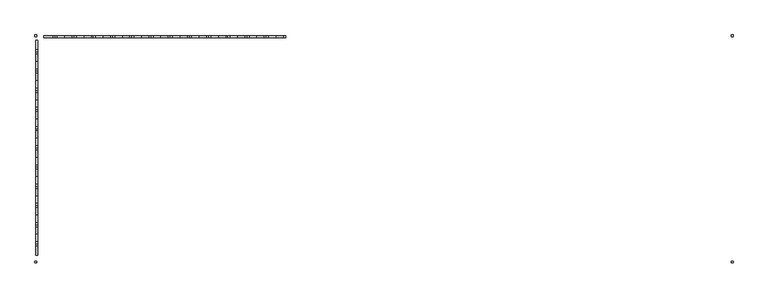
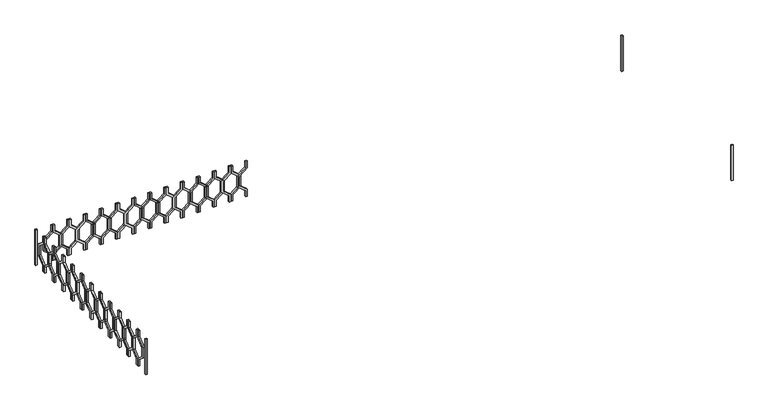
"""IFC4 building model written with IfcOpenShell, lengths in millimetres: railing geometry."""

from ifc_helpers import new_model, si_unit, frame, origin, place, context, project, spatial, polyline, outline, extrude, source, transform, mapped, element, save


def railing_f360ee6d(model_context):
    return source(origin(), model_context, "Body", "SweptSolid", [
        extrude(outline(polyline([(25360.0, 44935.0112841), (25360.0, 44915.0112841), (25280.0, 44915.0112841), (25200.0, 44816.0163347), (25060.0, 44816.0163347), (24980.0, 44915.0112841), (24900.0, 44915.0112841), (24900.0, 44935.0112841), (24989.551845, 44935.0112841), (25069.551845, 44836.0163347), (25190.448155, 44836.0163347), (25270.448155, 44935.0112841), (25360.0, 44935.0112841)])), frame((0.0, 3248.1079487, 0.0), z_axis=(0.0, 1.0, 0.0), x_axis=(0.0, 0.0, 1.0)), (0.0, 0.0, 1.0), 20.0),
        extrude(outline(polyline([(25360.0, 44735.0112841), (25270.448155, 44735.0112841), (25190.448155, 44834.0062335), (25069.551845, 44834.0062335), (24989.551845, 44735.0112841), (24900.0, 44735.0112841), (24900.0, 44755.0112841), (24980.0, 44755.0112841), (25060.0, 44854.0062335), (25200.0, 44854.0062335), (25280.0, 44755.0112841), (25360.0, 44755.0112841), (25360.0, 44735.0112841)])), frame((0.0, 3248.1079487, 0.0), z_axis=(0.0, 1.0, 0.0), x_axis=(0.0, 0.0, 1.0)), (0.0, 0.0, 1.0), 20.0),
        extrude(outline(polyline([(25360.0, 44735.0112841), (25360.0, 44715.0112841), (25280.0, 44715.0112841), (25200.0, 44616.0163347), (25060.0, 44616.0163347), (24980.0, 44715.0112841), (24900.0, 44715.0112841), (24900.0, 44735.0112841), (24989.551845, 44735.0112841), (25069.551845, 44636.0163347), (25190.448155, 44636.0163347), (25270.448155, 44735.0112841), (25360.0, 44735.0112841)])), frame((0.0, 3248.1079487, 0.0), z_axis=(0.0, 1.0, 0.0), x_axis=(0.0, 0.0, 1.0)), (0.0, 0.0, 1.0), 20.0),
        extrude(outline(polyline([(25360.0, 44535.0112841), (25270.448155, 44535.0112841), (25190.448155, 44634.0062335), (25069.551845, 44634.0062335), (24989.551845, 44535.0112841), (24900.0, 44535.0112841), (24900.0, 44555.0112841), (24980.0, 44555.0112841), (25060.0, 44654.0062335), (25200.0, 44654.0062335), (25280.0, 44555.0112841), (25360.0, 44555.0112841), (25360.0, 44535.0112841)])), frame((0.0, 3248.1079487, 0.0), z_axis=(0.0, 1.0, 0.0), x_axis=(0.0, 0.0, 1.0)), (0.0, 0.0, 1.0), 20.0),
        extrude(outline(polyline([(25360.0, 44535.0112841), (25360.0, 44515.0112841), (25280.0, 44515.0112841), (25200.0, 44416.0163347), (25060.0, 44416.0163347), (24980.0, 44515.0112841), (24900.0, 44515.0112841), (24900.0, 44535.0112841), (24989.551845, 44535.0112841), (25069.551845, 44436.0163347), (25190.448155, 44436.0163347), (25270.448155, 44535.0112841), (25360.0, 44535.0112841)])), frame((0.0, 3248.1079487, 0.0), z_axis=(0.0, 1.0, 0.0), x_axis=(0.0, 0.0, 1.0)), (0.0, 0.0, 1.0), 20.0),
        extrude(outline(polyline([(25360.0, 44335.0112841), (25270.448155, 44335.0112841), (25190.448155, 44434.0062335), (25069.551845, 44434.0062335), (24989.551845, 44335.0112841), (24900.0, 44335.0112841), (24900.0, 44355.0112841), (24980.0, 44355.0112841), (25060.0, 44454.0062335), (25200.0, 44454.0062335), (25280.0, 44355.0112841), (25360.0, 44355.0112841), (25360.0, 44335.0112841)])), frame((0.0, 3248.1079487, 0.0), z_axis=(0.0, 1.0, 0.0), x_axis=(0.0, 0.0, 1.0)), (0.0, 0.0, 1.0), 20.0),
        extrude(outline(polyline([(25360.0, 44335.0112841), (25360.0, 44315.0112841), (25280.0, 44315.0112841), (25200.0, 44216.0163347), (25060.0, 44216.0163347), (24980.0, 44315.0112841), (24900.0, 44315.0112841), (24900.0, 44335.0112841), (24989.551845, 44335.0112841), (25069.551845, 44236.0163347), (25190.448155, 44236.0163347), (25270.448155, 44335.0112841), (25360.0, 44335.0112841)])), frame((0.0, 3248.1079487, 0.0), z_axis=(0.0, 1.0, 0.0), x_axis=(0.0, 0.0, 1.0)), (0.0, 0.0, 1.0), 20.0),
        extrude(outline(polyline([(25360.0, 44135.0112841), (25270.448155, 44135.0112841), (25190.448155, 44234.0062335), (25069.551845, 44234.0062335), (24989.551845, 44135.0112841), (24900.0, 44135.0112841), (24900.0, 44155.0112841), (24980.0, 44155.0112841), (25060.0, 44254.0062335), (25200.0, 44254.0062335), (25280.0, 44155.0112841), (25360.0, 44155.0112841), (25360.0, 44135.0112841)])), frame((0.0, 3248.1079487, 0.0), z_axis=(0.0, 1.0, 0.0), x_axis=(0.0, 0.0, 1.0)), (0.0, 0.0, 1.0), 20.0),
        extrude(outline(polyline([(25360.0, 44135.0112841), (25360.0, 44115.0112841), (25280.0, 44115.0112841), (25200.0, 44016.0163347), (25060.0, 44016.0163347), (24980.0, 44115.0112841), (24900.0, 44115.0112841), (24900.0, 44135.0112841), (24989.551845, 44135.0112841), (25069.551845, 44036.0163347), (25190.448155, 44036.0163347), (25270.448155, 44135.0112841), (25360.0, 44135.0112841)])), frame((0.0, 3248.1079487, 0.0), z_axis=(0.0, 1.0, 0.0), x_axis=(0.0, 0.0, 1.0)), (0.0, 0.0, 1.0), 20.0),
        extrude(outline(polyline([(25360.0, 43935.0112841), (25270.448155, 43935.0112841), (25190.448155, 44034.0062335), (25069.551845, 44034.0062335), (24989.551845, 43935.0112841), (24900.0, 43935.0112841), (24900.0, 43955.0112841), (24980.0, 43955.0112841), (25060.0, 44054.0062335), (25200.0, 44054.0062335), (25280.0, 43955.0112841), (25360.0, 43955.0112841), (25360.0, 43935.0112841)])), frame((0.0, 3248.1079487, 0.0), z_axis=(0.0, 1.0, 0.0), x_axis=(0.0, 0.0, 1.0)), (0.0, 0.0, 1.0), 20.0),
        extrude(outline(polyline([(25360.0, 43935.0112841), (25360.0, 43915.0112841), (25280.0, 43915.0112841), (25200.0, 43816.0163347), (25060.0, 43816.0163347), (24980.0, 43915.0112841), (24900.0, 43915.0112841), (24900.0, 43935.0112841), (24989.551845, 43935.0112841), (25069.551845, 43836.0163347), (25190.448155, 43836.0163347), (25270.448155, 43935.0112841), (25360.0, 43935.0112841)])), frame((0.0, 3248.1079487, 0.0), z_axis=(0.0, 1.0, 0.0), x_axis=(0.0, 0.0, 1.0)), (0.0, 0.0, 1.0), 20.0),
        extrude(outline(polyline([(25360.0, 43735.0112841), (25270.448155, 43735.0112841), (25190.448155, 43834.0062335), (25069.551845, 43834.0062335), (24989.551845, 43735.0112841), (24900.0, 43735.0112841), (24900.0, 43755.0112841), (24980.0, 43755.0112841), (25060.0, 43854.0062335), (25200.0, 43854.0062335), (25280.0, 43755.0112841), (25360.0, 43755.0112841), (25360.0, 43735.0112841)])), frame((0.0, 3248.1079487, 0.0), z_axis=(0.0, 1.0, 0.0), x_axis=(0.0, 0.0, 1.0)), (0.0, 0.0, 1.0), 20.0),
        extrude(outline(polyline([(25360.0, 43735.0112841), (25360.0, 43715.0112841), (25280.0, 43715.0112841), (25200.0, 43616.0163347), (25060.0, 43616.0163347), (24980.0, 43715.0112841), (24900.0, 43715.0112841), (24900.0, 43735.0112841), (24989.551845, 43735.0112841), (25069.551845, 43636.0163347), (25190.448155, 43636.0163347), (25270.448155, 43735.0112841), (25360.0, 43735.0112841)])), frame((0.0, 3248.1079487, 0.0), z_axis=(0.0, 1.0, 0.0), x_axis=(0.0, 0.0, 1.0)), (0.0, 0.0, 1.0), 20.0),
        extrude(outline(polyline([(25360.0, 43535.0112841), (25270.448155, 43535.0112841), (25190.448155, 43634.0062335), (25069.551845, 43634.0062335), (24989.551845, 43535.0112841), (24900.0, 43535.0112841), (24900.0, 43555.0112841), (24980.0, 43555.0112841), (25060.0, 43654.0062335), (25200.0, 43654.0062335), (25280.0, 43555.0112841), (25360.0, 43555.0112841), (25360.0, 43535.0112841)])), frame((0.0, 3248.1079487, 0.0), z_axis=(0.0, 1.0, 0.0), x_axis=(0.0, 0.0, 1.0)), (0.0, 0.0, 1.0), 20.0),
        extrude(outline(polyline([(25360.0, 43535.0112841), (25360.0, 43515.0112841), (25280.0, 43515.0112841), (25200.0, 43416.0163347), (25060.0, 43416.0163347), (24980.0, 43515.0112841), (24900.0, 43515.0112841), (24900.0, 43535.0112841), (24989.551845, 43535.0112841), (25069.551845, 43436.0163347), (25190.448155, 43436.0163347), (25270.448155, 43535.0112841), (25360.0, 43535.0112841)])), frame((0.0, 3248.1079487, 0.0), z_axis=(0.0, 1.0, 0.0), x_axis=(0.0, 0.0, 1.0)), (0.0, 0.0, 1.0), 20.0),
        extrude(outline(polyline([(25360.0, 43335.0112841), (25270.448155, 43335.0112841), (25190.448155, 43434.0062335), (25069.551845, 43434.0062335), (24989.551845, 43335.0112841), (24900.0, 43335.0112841), (24900.0, 43355.0112841), (24980.0, 43355.0112841), (25060.0, 43454.0062335), (25200.0, 43454.0062335), (25280.0, 43355.0112841), (25360.0, 43355.0112841), (25360.0, 43335.0112841)])), frame((0.0, 3248.1079487, 0.0), z_axis=(0.0, 1.0, 0.0), x_axis=(0.0, 0.0, 1.0)), (0.0, 0.0, 1.0), 20.0),
        extrude(outline(polyline([(25360.0, 43335.0112841), (25360.0, 43315.0112841), (25280.0, 43315.0112841), (25200.0, 43216.0163347), (25060.0, 43216.0163347), (24980.0, 43315.0112841), (24900.0, 43315.0112841), (24900.0, 43335.0112841), (24989.551845, 43335.0112841), (25069.551845, 43236.0163347), (25190.448155, 43236.0163347), (25270.448155, 43335.0112841), (25360.0, 43335.0112841)])), frame((0.0, 3248.1079487, 0.0), z_axis=(0.0, 1.0, 0.0), x_axis=(0.0, 0.0, 1.0)), (0.0, 0.0, 1.0), 20.0),
        extrude(outline(polyline([(25360.0, 43135.0112841), (25270.448155, 43135.0112841), (25190.448155, 43234.0062335), (25069.551845, 43234.0062335), (24989.551845, 43135.0112841), (24900.0, 43135.0112841), (24900.0, 43155.0112841), (24980.0, 43155.0112841), (25060.0, 43254.0062335), (25200.0, 43254.0062335), (25280.0, 43155.0112841), (25360.0, 43155.0112841), (25360.0, 43135.0112841)])), frame((0.0, 3248.1079487, 0.0), z_axis=(0.0, 1.0, 0.0), x_axis=(0.0, 0.0, 1.0)), (0.0, 0.0, 1.0), 20.0),
        extrude(outline(polyline([(25360.0, 43135.0112841), (25360.0, 43115.0112841), (25280.0, 43115.0112841), (25200.0, 43016.0163347), (25060.0, 43016.0163347), (24980.0, 43115.0112841), (24900.0, 43115.0112841), (24900.0, 43135.0112841), (24989.551845, 43135.0112841), (25069.551845, 43036.0163347), (25190.448155, 43036.0163347), (25270.448155, 43135.0112841), (25360.0, 43135.0112841)])), frame((0.0, 3248.1079487, 0.0), z_axis=(0.0, 1.0, 0.0), x_axis=(0.0, 0.0, 1.0)), (0.0, 0.0, 1.0), 20.0),
        extrude(outline(polyline([(25360.0, 42935.0112841), (25270.448155, 42935.0112841), (25190.448155, 43034.0062335), (25069.551845, 43034.0062335), (24989.551845, 42935.0112841), (24900.0, 42935.0112841), (24900.0, 42955.0112841), (24980.0, 42955.0112841), (25060.0, 43054.0062335), (25200.0, 43054.0062335), (25280.0, 42955.0112841), (25360.0, 42955.0112841), (25360.0, 42935.0112841)])), frame((0.0, 3248.1079487, 0.0), z_axis=(0.0, 1.0, 0.0), x_axis=(0.0, 0.0, 1.0)), (0.0, 0.0, 1.0), 20.0),
        extrude(outline(polyline([(25360.0, 42935.0112841), (25360.0, 42915.0112841), (25280.0, 42915.0112841), (25200.0, 42816.0163347), (25060.0, 42816.0163347), (24980.0, 42915.0112841), (24900.0, 42915.0112841), (24900.0, 42935.0112841), (24989.551845, 42935.0112841), (25069.551845, 42836.0163347), (25190.448155, 42836.0163347), (25270.448155, 42935.0112841), (25360.0, 42935.0112841)])), frame((0.0, 3248.1079487, 0.0), z_axis=(0.0, 1.0, 0.0), x_axis=(0.0, 0.0, 1.0)), (0.0, 0.0, 1.0), 20.0),
        extrude(outline(polyline([(25360.0, 42735.0112841), (25270.448155, 42735.0112841), (25190.448155, 42834.0062335), (25069.551845, 42834.0062335), (24989.551845, 42735.0112841), (24900.0, 42735.0112841), (24900.0, 42755.0112841), (24980.0, 42755.0112841), (25060.0, 42854.0062335), (25200.0, 42854.0062335), (25280.0, 42755.0112841), (25360.0, 42755.0112841), (25360.0, 42735.0112841)])), frame((0.0, 3248.1079487, 0.0), z_axis=(0.0, 1.0, 0.0), x_axis=(0.0, 0.0, 1.0)), (0.0, 0.0, 1.0), 20.0),
        extrude(outline(polyline([(25360.0, 42735.0112841), (25360.0, 42715.0112841), (25280.0, 42715.0112841), (25200.0, 42616.0163347), (25060.0, 42616.0163347), (24980.0, 42715.0112841), (24900.0, 42715.0112841), (24900.0, 42735.0112841), (24989.551845, 42735.0112841), (25069.551845, 42636.0163347), (25190.448155, 42636.0163347), (25270.448155, 42735.0112841), (25360.0, 42735.0112841)])), frame((0.0, 3248.1079487, 0.0), z_axis=(0.0, 1.0, 0.0), x_axis=(0.0, 0.0, 1.0)), (0.0, 0.0, 1.0), 20.0),
        extrude(outline(polyline([(25360.0, 42535.0112841), (25270.448155, 42535.0112841), (25190.448155, 42634.0062335), (25069.551845, 42634.0062335), (24989.551845, 42535.0112841), (24900.0, 42535.0112841), (24900.0, 42555.0112841), (24980.0, 42555.0112841), (25060.0, 42654.0062335), (25200.0, 42654.0062335), (25280.0, 42555.0112841), (25360.0, 42555.0112841), (25360.0, 42535.0112841)])), frame((0.0, 3248.1079487, 0.0), z_axis=(0.0, 1.0, 0.0), x_axis=(0.0, 0.0, 1.0)), (0.0, 0.0, 1.0), 20.0),
        extrude(outline(polyline([(25360.0, 42535.0112841), (25360.0, 42515.0112841), (25280.0, 42515.0112841), (25200.0, 42416.0163347), (25060.0, 42416.0163347), (24980.0, 42515.0112841), (24900.0, 42515.0112841), (24900.0, 42535.0112841), (24989.551845, 42535.0112841), (25069.551845, 42436.0163347), (25190.448155, 42436.0163347), (25270.448155, 42535.0112841), (25360.0, 42535.0112841)])), frame((0.0, 3248.1079487, 0.0), z_axis=(0.0, 1.0, 0.0), x_axis=(0.0, 0.0, 1.0)), (0.0, 0.0, 1.0), 20.0),
        extrude(outline(polyline([(3103.1079487, 25360.0), (3123.1079487, 25360.0), (3123.1079487, 25280.0), (3222.102898, 25200.0), (3222.102898, 25060.0), (3123.1079487, 24980.0), (3123.1079487, 24900.0), (3103.1079487, 24900.0), (3103.1079487, 24989.551845), (3202.102898, 25069.551845), (3202.102898, 25190.448155), (3103.1079487, 25270.448155), (3103.1079487, 25360.0)])), frame((42335.0112841, 0.0, 0.0), z_axis=(1.0, 0.0, 0.0), x_axis=(0.0, 1.0, 0.0)), (0.0, 0.0, 1.0), 20.0),
        extrude(outline(polyline([(3103.1079487, 25360.0), (3103.1079487, 25270.448155), (3004.1129993, 25190.448155), (3004.1129993, 25069.551845), (3103.1079487, 24989.551845), (3103.1079487, 24900.0), (3083.1079487, 24900.0), (3083.1079487, 24980.0), (2984.1129993, 25060.0), (2984.1129993, 25200.0), (3083.1079487, 25280.0), (3083.1079487, 25360.0), (3103.1079487, 25360.0)])), frame((42335.0112841, 0.0, 0.0), z_axis=(1.0, 0.0, 0.0), x_axis=(0.0, 1.0, 0.0)), (0.0, 0.0, 1.0), 20.0),
        extrude(outline(polyline([(2903.1079487, 25360.0), (2923.1079487, 25360.0), (2923.1079487, 25280.0), (3022.102898, 25200.0), (3022.102898, 25060.0), (2923.1079487, 24980.0), (2923.1079487, 24900.0), (2903.1079487, 24900.0), (2903.1079487, 24989.551845), (3002.102898, 25069.551845), (3002.102898, 25190.448155), (2903.1079487, 25270.448155), (2903.1079487, 25360.0)])), frame((42335.0112841, 0.0, 0.0), z_axis=(1.0, 0.0, 0.0), x_axis=(0.0, 1.0, 0.0)), (0.0, 0.0, 1.0), 20.0),
        extrude(outline(polyline([(2903.1079487, 25360.0), (2903.1079487, 25270.448155), (2804.1129993, 25190.448155), (2804.1129993, 25069.551845), (2903.1079487, 24989.551845), (2903.1079487, 24900.0), (2883.1079487, 24900.0), (2883.1079487, 24980.0), (2784.1129993, 25060.0), (2784.1129993, 25200.0), (2883.1079487, 25280.0), (2883.1079487, 25360.0), (2903.1079487, 25360.0)])), frame((42335.0112841, 0.0, 0.0), z_axis=(1.0, 0.0, 0.0), x_axis=(0.0, 1.0, 0.0)), (0.0, 0.0, 1.0), 20.0),
        extrude(outline(polyline([(2703.1079487, 25360.0), (2723.1079487, 25360.0), (2723.1079487, 25280.0), (2822.102898, 25200.0), (2822.102898, 25060.0), (2723.1079487, 24980.0), (2723.1079487, 24900.0), (2703.1079487, 24900.0), (2703.1079487, 24989.551845), (2802.102898, 25069.551845), (2802.102898, 25190.448155), (2703.1079487, 25270.448155), (2703.1079487, 25360.0)])), frame((42335.0112841, 0.0, 0.0), z_axis=(1.0, 0.0, 0.0), x_axis=(0.0, 1.0, 0.0)), (0.0, 0.0, 1.0), 20.0),
        extrude(outline(polyline([(2703.1079487, 25360.0), (2703.1079487, 25270.448155), (2604.1129993, 25190.448155), (2604.1129993, 25069.551845), (2703.1079487, 24989.551845), (2703.1079487, 24900.0), (2683.1079487, 24900.0), (2683.1079487, 24980.0), (2584.1129993, 25060.0), (2584.1129993, 25200.0), (2683.1079487, 25280.0), (2683.1079487, 25360.0), (2703.1079487, 25360.0)])), frame((42335.0112841, 0.0, 0.0), z_axis=(1.0, 0.0, 0.0), x_axis=(0.0, 1.0, 0.0)), (0.0, 0.0, 1.0), 20.0),
        extrude(outline(polyline([(2503.1079487, 25360.0), (2523.1079487, 25360.0), (2523.1079487, 25280.0), (2622.102898, 25200.0), (2622.102898, 25060.0), (2523.1079487, 24980.0), (2523.1079487, 24900.0), (2503.1079487, 24900.0), (2503.1079487, 24989.551845), (2602.102898, 25069.551845), (2602.102898, 25190.448155), (2503.1079487, 25270.448155), (2503.1079487, 25360.0)])), frame((42335.0112841, 0.0, 0.0), z_axis=(1.0, 0.0, 0.0), x_axis=(0.0, 1.0, 0.0)), (0.0, 0.0, 1.0), 20.0),
        extrude(outline(polyline([(2503.1079487, 25360.0), (2503.1079487, 25270.448155), (2404.1129993, 25190.448155), (2404.1129993, 25069.551845), (2503.1079487, 24989.551845), (2503.1079487, 24900.0), (2483.1079487, 24900.0), (2483.1079487, 24980.0), (2384.1129993, 25060.0), (2384.1129993, 25200.0), (2483.1079487, 25280.0), (2483.1079487, 25360.0), (2503.1079487, 25360.0)])), frame((42335.0112841, 0.0, 0.0), z_axis=(1.0, 0.0, 0.0), x_axis=(0.0, 1.0, 0.0)), (0.0, 0.0, 1.0), 20.0),
        extrude(outline(polyline([(2303.1079487, 25360.0), (2323.1079487, 25360.0), (2323.1079487, 25280.0), (2422.102898, 25200.0), (2422.102898, 25060.0), (2323.1079487, 24980.0), (2323.1079487, 24900.0), (2303.1079487, 24900.0), (2303.1079487, 24989.551845), (2402.102898, 25069.551845), (2402.102898, 25190.448155), (2303.1079487, 25270.448155), (2303.1079487, 25360.0)])), frame((42335.0112841, 0.0, 0.0), z_axis=(1.0, 0.0, 0.0), x_axis=(0.0, 1.0, 0.0)), (0.0, 0.0, 1.0), 20.0),
        extrude(outline(polyline([(2303.1079487, 25360.0), (2303.1079487, 25270.448155), (2204.1129993, 25190.448155), (2204.1129993, 25069.551845), (2303.1079487, 24989.551845), (2303.1079487, 24900.0), (2283.1079487, 24900.0), (2283.1079487, 24980.0), (2184.1129993, 25060.0), (2184.1129993, 25200.0), (2283.1079487, 25280.0), (2283.1079487, 25360.0), (2303.1079487, 25360.0)])), frame((42335.0112841, 0.0, 0.0), z_axis=(1.0, 0.0, 0.0), x_axis=(0.0, 1.0, 0.0)), (0.0, 0.0, 1.0), 20.0),
        extrude(outline(polyline([(2103.1079487, 25360.0), (2123.1079487, 25360.0), (2123.1079487, 25280.0), (2222.102898, 25200.0), (2222.102898, 25060.0), (2123.1079487, 24980.0), (2123.1079487, 24900.0), (2103.1079487, 24900.0), (2103.1079487, 24989.551845), (2202.102898, 25069.551845), (2202.102898, 25190.448155), (2103.1079487, 25270.448155), (2103.1079487, 25360.0)])), frame((42335.0112841, 0.0, 0.0), z_axis=(1.0, 0.0, 0.0), x_axis=(0.0, 1.0, 0.0)), (0.0, 0.0, 1.0), 20.0),
        extrude(outline(polyline([(2103.1079487, 25360.0), (2103.1079487, 25270.448155), (2004.1129993, 25190.448155), (2004.1129993, 25069.551845), (2103.1079487, 24989.551845), (2103.1079487, 24900.0), (2083.1079487, 24900.0), (2083.1079487, 24980.0), (1984.1129993, 25060.0), (1984.1129993, 25200.0), (2083.1079487, 25280.0), (2083.1079487, 25360.0), (2103.1079487, 25360.0)])), frame((42335.0112841, 0.0, 0.0), z_axis=(1.0, 0.0, 0.0), x_axis=(0.0, 1.0, 0.0)), (0.0, 0.0, 1.0), 20.0),
        extrude(outline(polyline([(1903.1079487, 25360.0), (1923.1079487, 25360.0), (1923.1079487, 25280.0), (2022.102898, 25200.0), (2022.102898, 25060.0), (1923.1079487, 24980.0), (1923.1079487, 24900.0), (1903.1079487, 24900.0), (1903.1079487, 24989.551845), (2002.102898, 25069.551845), (2002.102898, 25190.448155), (1903.1079487, 25270.448155), (1903.1079487, 25360.0)])), frame((42335.0112841, 0.0, 0.0), z_axis=(1.0, 0.0, 0.0), x_axis=(0.0, 1.0, 0.0)), (0.0, 0.0, 1.0), 20.0),
        extrude(outline(polyline([(1903.1079487, 25360.0), (1903.1079487, 25270.448155), (1804.1129993, 25190.448155), (1804.1129993, 25069.551845), (1903.1079487, 24989.551845), (1903.1079487, 24900.0), (1883.1079487, 24900.0), (1883.1079487, 24980.0), (1784.1129993, 25060.0), (1784.1129993, 25200.0), (1883.1079487, 25280.0), (1883.1079487, 25360.0), (1903.1079487, 25360.0)])), frame((42335.0112841, 0.0, 0.0), z_axis=(1.0, 0.0, 0.0), x_axis=(0.0, 1.0, 0.0)), (0.0, 0.0, 1.0), 20.0),
        extrude(outline(polyline([(1703.1079487, 25360.0), (1723.1079487, 25360.0), (1723.1079487, 25280.0), (1822.102898, 25200.0), (1822.102898, 25060.0), (1723.1079487, 24980.0), (1723.1079487, 24900.0), (1703.1079487, 24900.0), (1703.1079487, 24989.551845), (1802.102898, 25069.551845), (1802.102898, 25190.448155), (1703.1079487, 25270.448155), (1703.1079487, 25360.0)])), frame((42335.0112841, 0.0, 0.0), z_axis=(1.0, 0.0, 0.0), x_axis=(0.0, 1.0, 0.0)), (0.0, 0.0, 1.0), 20.0),
        extrude(outline(polyline([(1703.1079487, 25360.0), (1703.1079487, 25270.448155), (1604.1129993, 25190.448155), (1604.1129993, 25069.551845), (1703.1079487, 24989.551845), (1703.1079487, 24900.0), (1683.1079487, 24900.0), (1683.1079487, 24980.0), (1584.1129993, 25060.0), (1584.1129993, 25200.0), (1683.1079487, 25280.0), (1683.1079487, 25360.0), (1703.1079487, 25360.0)])), frame((42335.0112841, 0.0, 0.0), z_axis=(1.0, 0.0, 0.0), x_axis=(0.0, 1.0, 0.0)), (0.0, 0.0, 1.0), 20.0),
        extrude(outline(polyline([(1503.1079487, 25360.0), (1523.1079487, 25360.0), (1523.1079487, 25280.0), (1622.102898, 25200.0), (1622.102898, 25060.0), (1523.1079487, 24980.0), (1523.1079487, 24900.0), (1503.1079487, 24900.0), (1503.1079487, 24989.551845), (1602.102898, 25069.551845), (1602.102898, 25190.448155), (1503.1079487, 25270.448155), (1503.1079487, 25360.0)])), frame((42335.0112841, 0.0, 0.0), z_axis=(1.0, 0.0, 0.0), x_axis=(0.0, 1.0, 0.0)), (0.0, 0.0, 1.0), 20.0),
        extrude(outline(polyline([(1503.1079487, 25360.0), (1503.1079487, 25270.448155), (1404.1129993, 25190.448155), (1404.1129993, 25069.551845), (1503.1079487, 24989.551845), (1503.1079487, 24900.0), (1483.1079487, 24900.0), (1483.1079487, 24980.0), (1384.1129993, 25060.0), (1384.1129993, 25200.0), (1483.1079487, 25280.0), (1483.1079487, 25360.0), (1503.1079487, 25360.0)])), frame((42335.0112841, 0.0, 0.0), z_axis=(1.0, 0.0, 0.0), x_axis=(0.0, 1.0, 0.0)), (0.0, 0.0, 1.0), 20.0),
        extrude(outline(polyline([(1303.1079487, 25360.0), (1323.1079487, 25360.0), (1323.1079487, 25280.0), (1422.102898, 25200.0), (1422.102898, 25060.0), (1323.1079487, 24980.0), (1323.1079487, 24900.0), (1303.1079487, 24900.0), (1303.1079487, 24989.551845), (1402.102898, 25069.551845), (1402.102898, 25190.448155), (1303.1079487, 25270.448155), (1303.1079487, 25360.0)])), frame((42335.0112841, 0.0, 0.0), z_axis=(1.0, 0.0, 0.0), x_axis=(0.0, 1.0, 0.0)), (0.0, 0.0, 1.0), 20.0),
        extrude(outline(polyline([(1303.1079487, 25360.0), (1303.1079487, 25270.448155), (1204.1129993, 25190.448155), (1204.1129993, 25069.551845), (1303.1079487, 24989.551845), (1303.1079487, 24900.0), (1283.1079487, 24900.0), (1283.1079487, 24980.0), (1184.1129993, 25060.0), (1184.1129993, 25200.0), (1283.1079487, 25280.0), (1283.1079487, 25360.0), (1303.1079487, 25360.0)])), frame((42335.0112841, 0.0, 0.0), z_axis=(1.0, 0.0, 0.0), x_axis=(0.0, 1.0, 0.0)), (0.0, 0.0, 1.0), 20.0),
        extrude(outline(polyline([(1103.1079487, 25360.0), (1123.1079487, 25360.0), (1123.1079487, 25280.0), (1222.102898, 25200.0), (1222.102898, 25060.0), (1123.1079487, 24980.0), (1123.1079487, 24900.0), (1103.1079487, 24900.0), (1103.1079487, 24989.551845), (1202.102898, 25069.551845), (1202.102898, 25190.448155), (1103.1079487, 25270.448155), (1103.1079487, 25360.0)])), frame((42335.0112841, 0.0, 0.0), z_axis=(1.0, 0.0, 0.0), x_axis=(0.0, 1.0, 0.0)), (0.0, 0.0, 1.0), 20.0),
        extrude(outline(polyline([(1103.1079487, 25360.0), (1103.1079487, 25270.448155), (1004.1129993, 25190.448155), (1004.1129993, 25069.551845), (1103.1079487, 24989.551845), (1103.1079487, 24900.0), (1083.1079487, 24900.0), (1083.1079487, 24980.0), (984.1129993, 25060.0), (984.1129993, 25200.0), (1083.1079487, 25280.0), (1083.1079487, 25360.0), (1103.1079487, 25360.0)])), frame((42335.0112841, 0.0, 0.0), z_axis=(1.0, 0.0, 0.0), x_axis=(0.0, 1.0, 0.0)), (0.0, 0.0, 1.0), 20.0),
        extrude(outline(polyline([(49575.0112841, 3278.1079487), (49595.0112841, 3278.1079487), (49595.0112841, 3258.1079487), (49575.0112841, 3258.1079487), (49575.0112841, 3278.1079487)])), frame((0.0, 0.0, 24900.0), z_axis=(0.0, 0.0, 1.0), x_axis=(1.0, 0.0, 0.0)), (0.0, 0.0, 1.0), 460.0),
        extrude(outline(polyline([(42325.0112841, 3258.1079487), (42325.0112841, 3278.1079487), (42345.0112841, 3278.1079487), (42345.0112841, 3258.1079487), (42325.0112841, 3258.1079487)])), frame((0.0, 0.0, 24900.0), z_axis=(0.0, 0.0, 1.0), x_axis=(1.0, 0.0, 0.0)), (0.0, 0.0, 1.0), 460.0),
        extrude(outline(polyline([(49595.0112841, 923.1079487), (49595.0112841, 903.1079487), (49575.0112841, 903.1079487), (49575.0112841, 923.1079487), (49595.0112841, 923.1079487)])), frame((0.0, 0.0, 24900.0), z_axis=(0.0, 0.0, 1.0), x_axis=(1.0, 0.0, 0.0)), (0.0, 0.0, 1.0), 460.0),
        extrude(outline(polyline([(42325.0112841, 903.1079487), (42325.0112841, 923.1079487), (42345.0112841, 923.1079487), (42345.0112841, 903.1079487), (42325.0112841, 903.1079487)])), frame((0.0, 0.0, 24900.0), z_axis=(0.0, 0.0, 1.0), x_axis=(1.0, 0.0, 0.0)), (0.0, 0.0, 1.0), 460.0),
    ])


if __name__ == "__main__":
    model = new_model("IFC4")
    model_context = context("Model", 3, world=origin())
    ifc_project = project(units=[si_unit("LENGTHUNIT", "METRE", prefix="MILLI")], contexts=[model_context])
    site = spatial("IfcSite", under=ifc_project)
    building = spatial("IfcBuilding", under=site)
    placement = place(None, origin())
    railing_shape = railing_f360ee6d(model_context)
    element("IfcRailing", 1, at=placement, inside=building, context=model_context, shape_type="MappedRepresentation", body=[
        mapped(railing_shape, transform((0.0, 0.0, 0.0), x_axis=(1.0, 0.0, 0.0), y_axis=(0.0, 1.0, 0.0), z_axis=(0.0, 0.0, 1.0))),
    ])
    save(model, "model.ifc")
